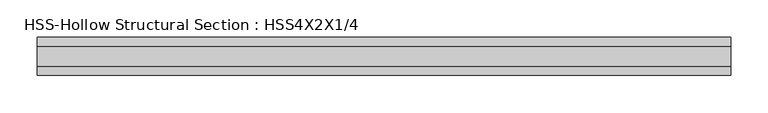
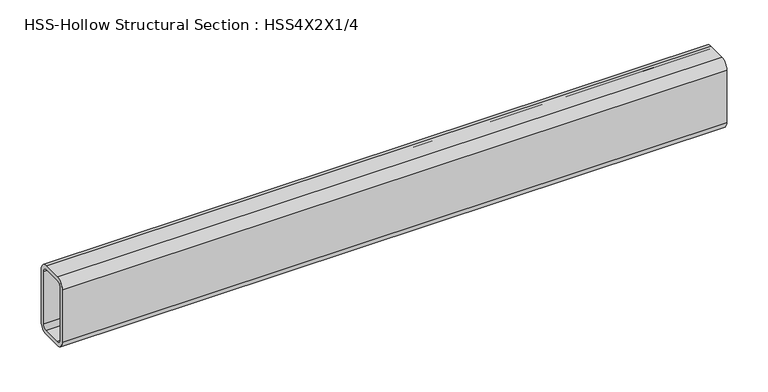
"""IFC4 building model written with IfcOpenShell, lengths in millimetres: beam geometry, HSS-Hollow Structural Section : HSS4X2X1/4."""

from ifc_helpers import new_model, si_unit, point, frame, frame_2d, origin, place, context, project, spatial, polyline, circle_curve, trimmed, segment, composite_curve, outline, extrude, source, transform, mapped, element, save


def hss_hollow_structural_section_hss4x2x1_4_41d302ef(model_context):
    return source(origin(), model_context, "Body", "SweptSolid", [
        extrude(outline(composite_curve([segment(polyline([(25.4, 38.9636), (25.4, -38.9636)]), True, "CONTINUOUS"), segment(trimmed(circle_curve(frame_2d((13.5636, -38.9636)), 11.8364), [point((25.4, -38.9636))], [point((13.5636, -50.8))], False, "CARTESIAN"), True, "CONTINUOUS"), segment(polyline([(13.5636, -50.8), (-13.5636, -50.8)]), True, "CONTINUOUS"), segment(trimmed(circle_curve(frame_2d((-13.5636, -38.9636)), 11.8364), [point((-13.5636, -50.8))], [point((-25.4, -38.9636))], False, "CARTESIAN"), True, "CONTINUOUS"), segment(polyline([(-25.4, -38.9636), (-25.4, 38.9636)]), True, "CONTINUOUS"), segment(trimmed(circle_curve(frame_2d((-13.5636, 38.9636)), 11.8364), [point((-25.4, 38.9636))], [point((-13.5636, 50.8))], False, "CARTESIAN"), True, "CONTINUOUS"), segment(polyline([(-13.5636, 50.8), (13.5636, 50.8)]), True, "CONTINUOUS"), segment(trimmed(circle_curve(frame_2d((13.5636, 38.9636)), 11.8364), [point((13.5636, 50.8))], [point((25.4, 38.9636))], False, "CARTESIAN"), True, "CONTINUOUS")], self_intersect=False), holes=[composite_curve([segment(trimmed(circle_curve(frame_2d((-13.5636, 38.9636)), 5.9182), [point((-13.5636, 44.8818))], [point((-19.4818, 38.9636))], True, "CARTESIAN"), True, "CONTINUOUS"), segment(polyline([(-19.4818, 38.9636), (-19.4818, -38.9636)]), True, "CONTINUOUS"), segment(trimmed(circle_curve(frame_2d((-13.5636, -38.9636)), 5.9182), [point((-19.4818, -38.9636))], [point((-13.5636, -44.8818))], True, "CARTESIAN"), True, "CONTINUOUS"), segment(polyline([(-13.5636, -44.8818), (13.5636, -44.8818)]), True, "CONTINUOUS"), segment(trimmed(circle_curve(frame_2d((13.5636, -38.9636)), 5.9182), [point((13.5636, -44.8818))], [point((19.4818, -38.9636))], True, "CARTESIAN"), True, "CONTINUOUS"), segment(polyline([(19.4818, -38.9636), (19.4818, 38.9636)]), True, "CONTINUOUS"), segment(trimmed(circle_curve(frame_2d((13.5636, 38.9636)), 5.9182), [point((19.4818, 38.9636))], [point((13.5636, 44.8818))], True, "CARTESIAN"), True, "CONTINUOUS"), segment(polyline([(13.5636, 44.8818), (-13.5636, 44.8818)]), True, "CONTINUOUS")], self_intersect=False)]), frame((-452.0534003, 0.0, 0.0), z_axis=(1.0, 0.0, 0.0), x_axis=(0.0, 1.0, 0.0)), (0.0, 0.0, 1.0), 929.5130584),
    ])


if __name__ == "__main__":
    model = new_model("IFC4")
    model_context = context("Model", 3, world=origin())
    ifc_project = project(units=[si_unit("LENGTHUNIT", "METRE", prefix="MILLI")], contexts=[model_context])
    site = spatial("IfcSite", under=ifc_project)
    building = spatial("IfcBuilding", under=site)
    placement = place(None, origin())
    hss_hollow_structural_section_hss4x2x1_4_shape = hss_hollow_structural_section_hss4x2x1_4_41d302ef(model_context)
    element("IfcBeam", 1, ObjectType="HSS-Hollow Structural Section : HSS4X2X1/4", at=placement, inside=building, context=model_context, shape_type="MappedRepresentation", body=[
        mapped(hss_hollow_structural_section_hss4x2x1_4_shape, transform((0.0, 0.0, 0.0), x_axis=(1.0, 0.0, 0.0), y_axis=(0.0, 1.0, 0.0), z_axis=(0.0, 0.0, 1.0))),
    ])
    save(model, "model.ifc")
